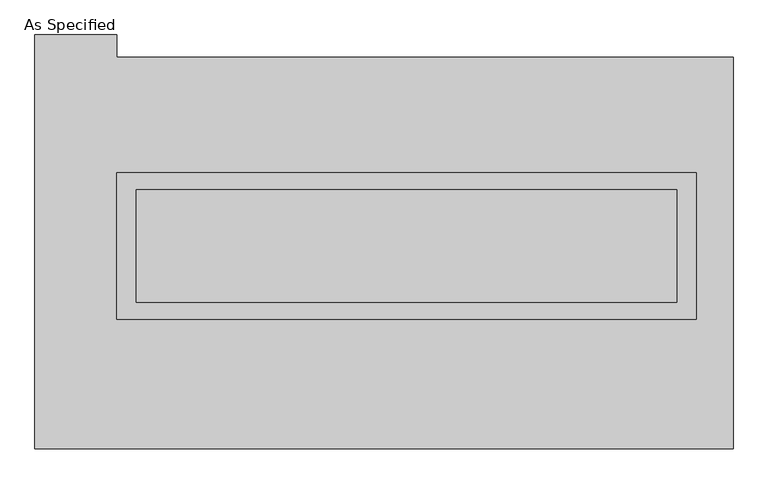
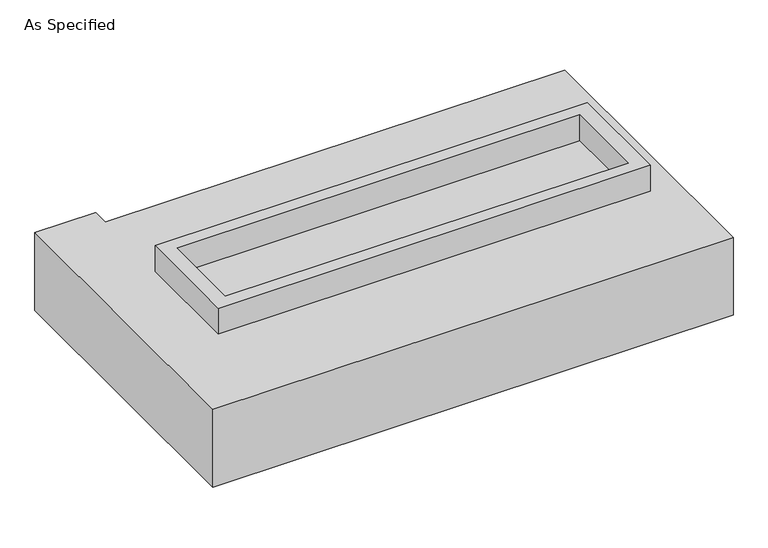
"""IFC4 building model written with IfcOpenShell, lengths in millimetres: proxy geometry, As Specified."""

import ifcopenshell
import ifcopenshell.guid

model = None  # the IFC model being written
_history = None  # IfcOwnerHistory: only IFC2X3 demands one
_inside = {}  # id of a spatial element -> (the spatial element, [elements in it])
_under = {}  # id of a project, library or spatial element -> (it, [spatial elements below it])
_declared = {}  # id of a project -> (the project, [libraries it declares])
_typed = {}  # id of a type object -> (the type object, [elements of that type])
_made_of = {}  # id of a material, layer set ... -> (it, [elements and type objects made of it])


def new_model(schema):
    """Start an empty IFC model of exactly this schema.

    Asked for "IFC4X3", IfcOpenShell would pick the latest addendum, in which some entities
    have other attributes; the version numbers below select the first issue.
    IFC2X3 requires an IfcOwnerHistory on every rooted entity: one is made here for all.
    """
    global model, _history
    if schema == "IFC4X3":
        model = ifcopenshell.file(schema_version=(4, 3, 0, 0))
    else:
        model = ifcopenshell.file(schema=schema)
    _inside.clear()
    _under.clear()
    _declared.clear()
    _typed.clear()
    _made_of.clear()
    _history = None
    if model.schema == "IFC2X3":
        org = make("IfcOrganization", Name="unknown")
        user = make(
            "IfcPersonAndOrganization",
            ThePerson=make("IfcPerson", FamilyName="unknown"),
            TheOrganization=org,
        )
        app = make(
            "IfcApplication",
            ApplicationDeveloper=org,
            Version="unknown",
            ApplicationFullName="unknown",
            ApplicationIdentifier="unknown",
        )
        _history = make(
            "IfcOwnerHistory",
            OwningUser=user,
            OwningApplication=app,
            ChangeAction="ADDED",
            CreationDate=0,
        )
    return model


def make(cls, **values):
    """One entity of the class cls with the attributes given. An attribute that is None is left unset."""
    return model.create_entity(
        cls, **{name: value for name, value in values.items() if value is not None}
    )


def rooted(cls, **values):
    """An entity with a GlobalId (a new one), such as an element, a storey or a relation."""
    return make(cls, GlobalId=ifcopenshell.guid.new(), OwnerHistory=_history, **values)


def si_unit(unit_type, name, prefix=None):
    """IfcSIUnit, for example si_unit("LENGTHUNIT", "METRE", prefix="MILLI")."""
    return make("IfcSIUnit", UnitType=unit_type, Prefix=prefix, Name=name)


def assignment(units):
    """IfcUnitAssignment: the units of a project."""
    return None if units is None else make("IfcUnitAssignment", Units=units)


def point(xyz):
    """IfcCartesianPoint."""
    return None if xyz is None else make("IfcCartesianPoint", Coordinates=xyz)


def direction(xyz):
    """IfcDirection."""
    return None if xyz is None else make("IfcDirection", DirectionRatios=xyz)


def frame(location, z_axis=None, x_axis=None):
    """IfcAxis2Placement3D, a coordinate frame: its origin and axes. An axis left out is left unset."""
    return make(
        "IfcAxis2Placement3D",
        Location=point(location),
        Axis=direction(z_axis),
        RefDirection=direction(x_axis),
    )


def origin():
    """The frame at (0, 0, 0) with its axes left unset."""
    return frame((0.0, 0.0, 0.0))


def place(relative_to, where):
    """IfcLocalPlacement: puts the frame where relative to a parent placement (None: the world)."""
    return make(
        "IfcLocalPlacement", PlacementRelTo=relative_to, RelativePlacement=where
    )


def context(
    kind, dimensions, precision=None, world=None, true_north=None, identifier=None
):
    """IfcGeometricRepresentationContext, for example the 3D "Model" context."""
    return make(
        "IfcGeometricRepresentationContext",
        ContextIdentifier=identifier,
        ContextType=kind,
        CoordinateSpaceDimension=dimensions,
        Precision=precision,
        WorldCoordinateSystem=world,
        TrueNorth=true_north,
    )


def project(units=None, contexts=None):
    """IfcProject with its units and contexts."""
    return rooted(
        "IfcProject",
        Name="project",
        RepresentationContexts=contexts,
        UnitsInContext=assignment(units),
    )


def spatial(cls, under=None, at=None, **own):
    """A site, building, storey or space (cls), placed at a placement, below another one or the project."""
    s = rooted(cls, ObjectPlacement=at, **own)
    if under is not None:
        _under.setdefault(under.id(), (under, []))[1].append(s)
    return s


def polyline(points):
    """IfcPolyline through the points."""
    return make("IfcPolyline", Points=[point(p) for p in points])


def outline(outer, holes=None, kind="AREA"):
    """IfcArbitraryClosedProfileDef: a profile drawn as a closed curve; with holes, ...WithVoids."""
    if holes is None:
        return make("IfcArbitraryClosedProfileDef", ProfileType=kind, OuterCurve=outer)
    return make(
        "IfcArbitraryProfileDefWithVoids",
        ProfileType=kind,
        OuterCurve=outer,
        InnerCurves=holes,
    )


def extrude(swept, where, along, depth):
    """IfcExtrudedAreaSolid: the profile swept, set in the frame where, extruded along a direction by depth."""
    return make(
        "IfcExtrudedAreaSolid",
        SweptArea=swept,
        Position=where,
        ExtrudedDirection=direction(along),
        Depth=depth,
    )


def shape(context_of_items, identifier, shape_type, items):
    """IfcShapeRepresentation: the items that make up one representation, for example the "Body"."""
    return make(
        "IfcShapeRepresentation",
        ContextOfItems=context_of_items,
        RepresentationIdentifier=identifier,
        RepresentationType=shape_type,
        Items=items,
    )


def source(mapping_origin, context_of_items, identifier, shape_type, items):
    """IfcRepresentationMap: a shape defined once, which mapped items show again and again."""
    return make(
        "IfcRepresentationMap",
        MappingOrigin=mapping_origin,
        MappedRepresentation=shape(context_of_items, identifier, shape_type, items),
    )


def transform(
    local_origin,
    x_axis=None,
    y_axis=None,
    z_axis=None,
    scale=None,
    scale2=None,
    scale3=None,
    uniform=True,
):
    """IfcCartesianTransformationOperator3D, or its non-uniform kind. x_axis, y_axis, z_axis: its Axis1, 2, 3."""
    if uniform:
        return make(
            "IfcCartesianTransformationOperator3D",
            Axis1=direction(x_axis),
            Axis2=direction(y_axis),
            LocalOrigin=point(local_origin),
            Scale=scale,
            Axis3=direction(z_axis),
        )
    return make(
        "IfcCartesianTransformationOperator3DnonUniform",
        Axis1=direction(x_axis),
        Axis2=direction(y_axis),
        LocalOrigin=point(local_origin),
        Scale=scale,
        Axis3=direction(z_axis),
        Scale2=scale2,
        Scale3=scale3,
    )


def mapped(mapping_source, mapping_target):
    """IfcMappedItem: shows the shape of a source again, moved by a transform."""
    return make(
        "IfcMappedItem", MappingSource=mapping_source, MappingTarget=mapping_target
    )


def made_of(thing, what):
    """Note that an element or type object is made of a material, layer set ...; save() writes the relation."""
    if what is not None:
        _made_of.setdefault(what.id(), (what, []))[1].append(thing)
    return thing


def element(
    cls,
    number,
    at=None,
    inside=None,
    cuts=None,
    type_object=None,
    material=None,
    context=None,
    identifier="Body",
    shape_type=None,
    held_by="IfcProductDefinitionShape",
    body=None,
    shapes=None,
    **own,
):
    """One element of the class cls, such as IfcWall. Its Tag is "e" and its number.

    at: its placement. inside: the storey or other place that contains it. cuts: it is an
    opening in that element (IfcRelVoidsElement). A single representation is given by context,
    identifier, shape_type and body (its items); several are given by shapes. held_by: the class
    of the entity that holds the representations. save() writes the other relations.
    """
    e = rooted(cls, Tag="e%d" % number, ObjectPlacement=at, **own)
    if body is not None:
        shapes = [shape(context, identifier, shape_type, body)]
    if shapes is not None:
        e.Representation = make(held_by, Representations=shapes)
    if inside is not None:
        _inside.setdefault(inside.id(), (inside, []))[1].append(e)
    if cuts is not None:
        rooted(
            "IfcRelVoidsElement", RelatingBuildingElement=cuts, RelatedOpeningElement=e
        )
    if type_object is not None:
        _typed.setdefault(type_object.id(), (type_object, []))[1].append(e)
    return made_of(e, material)


def aggregate(whole, parts):
    """IfcRelAggregates: a whole, such as a stair, and the parts it consists of."""
    return rooted("IfcRelAggregates", RelatingObject=whole, RelatedObjects=parts)


def save(model, path):
    """Write the relations noted so far, then the file.

    IfcRelAggregates (storeys below a building ...), IfcRelContainedInSpatialStructure (elements
    in a storey), IfcRelDefinesByType, IfcRelAssociatesMaterial and IfcRelDeclares: one each for
    every whole, place, type object, material and project.
    """
    for whole, parts in _under.values():
        aggregate(whole, parts)
    for where, things in _inside.values():
        rooted(
            "IfcRelContainedInSpatialStructure",
            RelatedElements=things,
            RelatingStructure=where,
        )
    for kind, things in _typed.values():
        rooted("IfcRelDefinesByType", RelatedObjects=things, RelatingType=kind)
    for what, things in _made_of.values():
        rooted("IfcRelAssociatesMaterial", RelatedObjects=things, RelatingMaterial=what)
    for by, libraries in _declared.values():
        rooted("IfcRelDeclares", RelatingContext=by, RelatedDefinitions=libraries)
    model.write(path)


def as_specified_4c426ef3(model_context):
    return source(origin(), model_context, "Body", "SweptSolid", [
        extrude(outline(polyline([(1308.1, 361.95), (1308.1, -298.45), (-1308.1, -298.45), (-1308.1, 361.95), (1308.1, 361.95)]), holes=[polyline([(1219.2, 285.75), (-1219.2, 285.75), (-1219.2, -222.25), (1219.2, -222.25), (1219.2, 285.75)])]), frame((0.0, 0.0, -688.975), z_axis=(0.0, 0.0, 1.0), x_axis=(1.0, 0.0, 0.0)), (0.0, 0.0, 1.0), 165.1),
        extrude(outline(polyline([(1308.1, 361.95), (1308.1, -298.45), (-1308.1, -298.45), (-1308.1, 361.95), (1308.1, 361.95)]), holes=[polyline([(1219.2, 285.75), (-1219.2, 285.75), (-1219.2, -222.25), (1219.2, -222.25), (1219.2, 285.75)])]), frame((0.0, 0.0, -25.4), z_axis=(0.0, 0.0, 1.0), x_axis=(1.0, 0.0, 0.0)), (0.0, 0.0, 1.0), 165.1),
        extrude(outline(polyline([(1219.2, 285.75), (1219.2, -222.25), (-1219.2, -222.25), (-1219.2, 285.75), (1219.2, 285.75)])), frame((0.0, 0.0, -523.875), z_axis=(0.0, 0.0, 1.0), x_axis=(1.0, 0.0, 0.0)), (0.0, 0.0, 1.0), 4.9609375),
        extrude(outline(polyline([(1219.2, 285.75), (1219.2, -222.25), (-1219.2, -222.25), (-1219.2, 285.75), (1219.2, 285.75)])), frame((0.0, 0.0, -30.3609375), z_axis=(0.0, 0.0, 1.0), x_axis=(1.0, 0.0, 0.0)), (0.0, 0.0, 1.0), 4.9609375),
        extrude(outline(polyline([(1473.2, -882.65), (-1676.4, -882.65), (-1676.4, 984.25), (-1308.1, 984.25), (-1308.1, 882.65), (1473.2, 882.65), (1473.2, -882.65)]), holes=[polyline([(-1308.1, 361.95), (-1308.1, -298.45), (1308.1, -298.45), (1308.1, 361.95), (-1308.1, 361.95)])]), frame((0.0, 0.0, -523.875), z_axis=(0.0, 0.0, 1.0), x_axis=(1.0, 0.0, 0.0)), (0.0, 0.0, 1.0), 498.475),
    ])


if __name__ == "__main__":
    model = new_model("IFC4")
    model_context = context("Model", 3, world=origin())
    ifc_project = project(units=[si_unit("LENGTHUNIT", "METRE", prefix="MILLI")], contexts=[model_context])
    site = spatial("IfcSite", under=ifc_project)
    building = spatial("IfcBuilding", under=site)
    placement = place(None, origin())
    as_specified_shape = as_specified_4c426ef3(model_context)
    element("IfcBuildingElementProxy", 1, Name="As Specified", ObjectType="As Specified", at=placement, inside=building, context=model_context, shape_type="MappedRepresentation", body=[
        mapped(as_specified_shape, transform((0.0, 0.0, 0.0), x_axis=(1.0, 0.0, 0.0), y_axis=(0.0, 1.0, 0.0), z_axis=(0.0, 0.0, 1.0))),
    ])
    save(model, "model.ifc")
